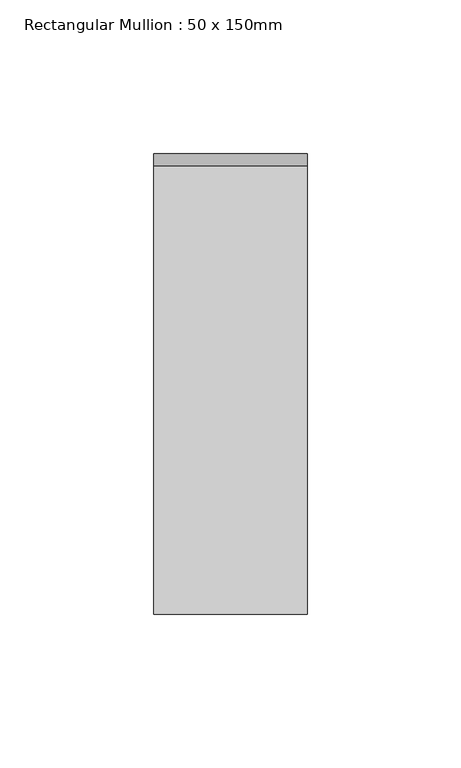
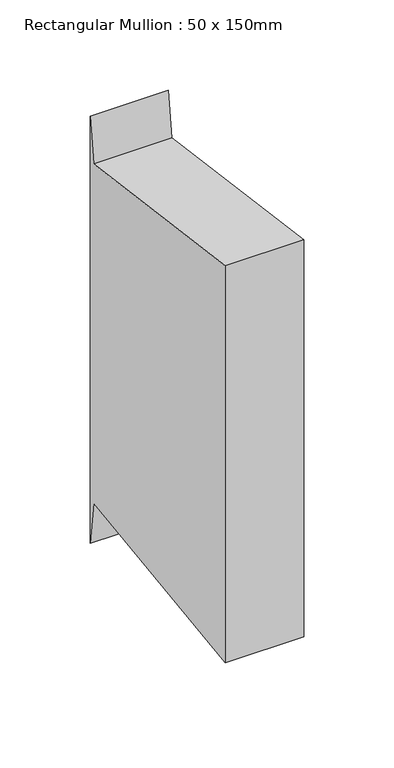
"""IFC4 building model written with IfcOpenShell, lengths in millimetres: member geometry, Rectangular Mullion : 50 x 150mm."""

from ifc_helpers import new_model, si_unit, frame, origin, place, context, project, spatial, polyline, outline, extrude, source, transform, mapped, element, save


def rectangular_mullion_50_x_150mm_870ce396(model_context):
    return source(origin(), model_context, "Body", "SweptSolid", [
        extrude(outline(polyline([(-75.0, 9.7896196), (71.0328341, -9.7035513), (75.0, 20.0164197), (75.0, -269.1706206), (71.0328341, -239.4506495), (-75.0, -258.9438204), (-75.0, 9.7896196)])), frame((-50.0, 0.0, 0.0), z_axis=(1.0, 0.0, 0.0), x_axis=(0.0, 1.0, 0.0)), (0.0, 0.0, 1.0), 50.0),
    ])


if __name__ == "__main__":
    model = new_model("IFC4")
    model_context = context("Model", 3, world=origin())
    ifc_project = project(units=[si_unit("LENGTHUNIT", "METRE", prefix="MILLI")], contexts=[model_context])
    site = spatial("IfcSite", under=ifc_project)
    building = spatial("IfcBuilding", under=site)
    placement = place(None, origin())
    rectangular_mullion_50_x_150mm_shape = rectangular_mullion_50_x_150mm_870ce396(model_context)
    element("IfcMember", 1, ObjectType="Rectangular Mullion : 50 x 150mm", at=placement, inside=building, context=model_context, shape_type="MappedRepresentation", body=[
        mapped(rectangular_mullion_50_x_150mm_shape, transform((0.0, 0.0, 0.0), x_axis=(1.0, 0.0, 0.0), y_axis=(0.0, 1.0, 0.0), z_axis=(0.0, 0.0, 1.0))),
    ])
    save(model, "model.ifc")
